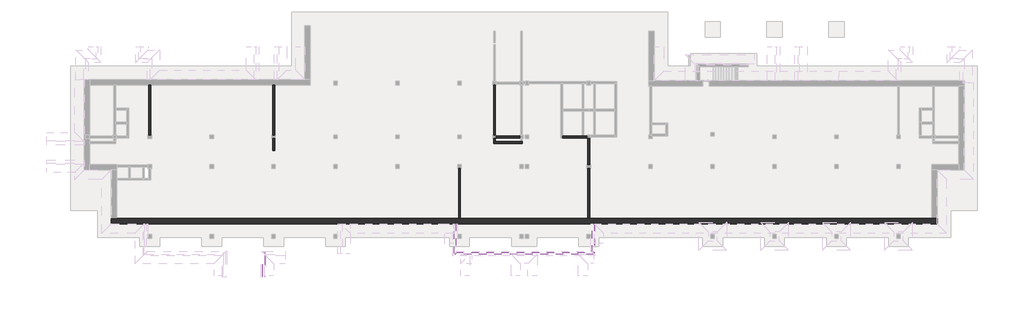
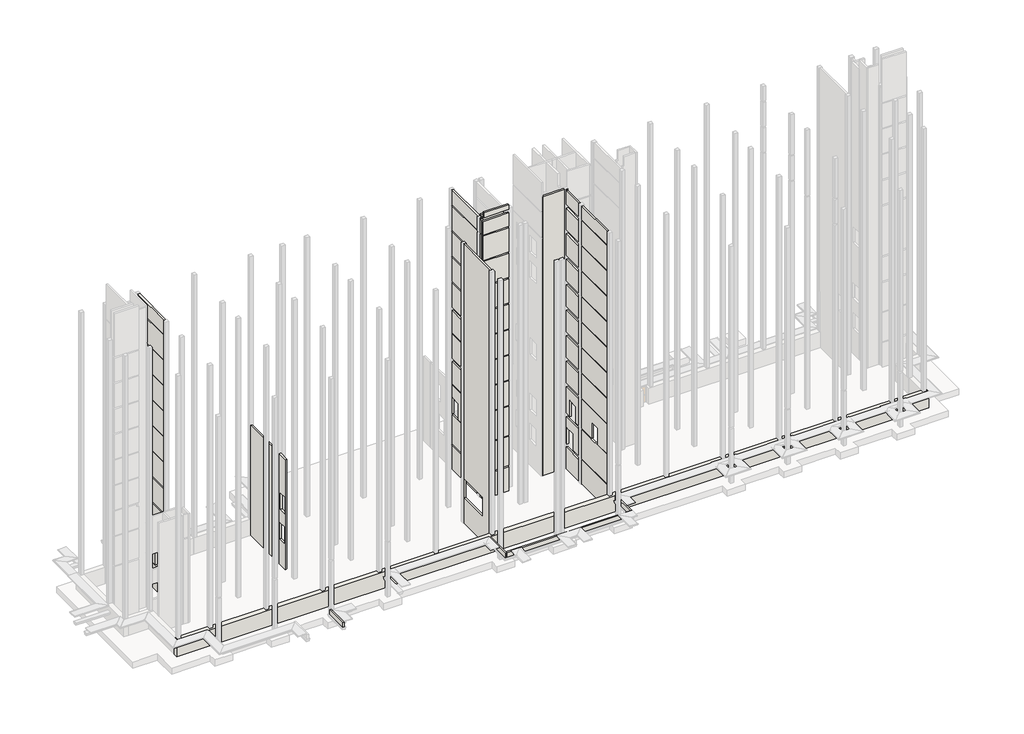
# One storey, part 2 of 9: 14 walls.
"""IFC4 building model written with IfcOpenShell, lengths in millimetres."""

from ifc_helpers import new_model, si_unit, frame, origin, origin_with_axes, place, context, project, spatial, polyline, outline, extrude, faceted_brep, element, save

model = new_model("IFC4")

# Units and contexts
model_context = context("Model", 3, world=origin())
ifc_project = project(units=[si_unit("LENGTHUNIT", "METRE", prefix="MILLI")], contexts=[model_context])

# Site, building, storey
site = spatial("IfcSite", under=ifc_project)
building = spatial("IfcBuilding", under=site)
storey = spatial("IfcBuildingStorey", under=building, Elevation=-3300.0)

# Walls
placement = place(None, origin())
element("IfcWall", 1, at=placement, inside=storey, context=model_context, shape_type="SweptSolid", body=[
    extrude(outline(polyline([(33100.0, 310.0112841), (33100.0, -2389.9887159), (32800.0, -2389.9887159), (32800.0, -2289.9887159), (30900.0, -2289.9887159), (30900.0, 310.0112841), (33100.0, 310.0112841)])), frame((0.0, -5506.8920513, 0.0), z_axis=(0.0, 1.0, 0.0), x_axis=(0.0, 0.0, 1.0)), (0.0, 0.0, 1.0), 200.0),
    extrude(outline(polyline([(310.0112841, -5306.8920513), (310.0112841, -5506.8920513), (-2289.9887159, -5506.8920513), (-2289.9887159, -5306.8920513), (310.0112841, -5306.8920513)])), frame((0.0, 0.0, -3300.0), z_axis=(0.0, 0.0, 1.0), x_axis=(1.0, 0.0, 0.0)), (0.0, 0.0, 1.0), 3140.0),
    extrude(outline(polyline([(310.0112841, -5306.8920513), (310.0112841, -5506.8920513), (-2289.9887159, -5506.8920513), (-2289.9887159, -5306.8920513), (310.0112841, -5306.8920513)])), origin_with_axes(), (0.0, 0.0, 1.0), 10600.0),
    extrude(outline(polyline([(310.0112841, -5306.8920513), (310.0112841, -5506.8920513), (-2289.9887159, -5506.8920513), (-2289.9887159, -5306.8920513), (310.0112841, -5306.8920513)])), frame((0.0, 0.0, 14400.0), z_axis=(0.0, 0.0, 1.0), x_axis=(1.0, 0.0, 0.0)), (0.0, 0.0, 1.0), 3140.0),
    extrude(outline(polyline([(310.0112841, -5306.8920513), (310.0112841, -5506.8920513), (-2289.9887159, -5506.8920513), (-2289.9887159, -5306.8920513), (310.0112841, -5306.8920513)])), frame((0.0, 0.0, 11100.0), z_axis=(0.0, 0.0, 1.0), x_axis=(1.0, 0.0, 0.0)), (0.0, 0.0, 1.0), 3140.0),
    extrude(outline(polyline([(310.0112841, -5306.8920513), (310.0112841, -5506.8920513), (-2289.9887159, -5506.8920513), (-2289.9887159, -5306.8920513), (310.0112841, -5306.8920513)])), frame((0.0, 0.0, 21000.0), z_axis=(0.0, 0.0, 1.0), x_axis=(1.0, 0.0, 0.0)), (0.0, 0.0, 1.0), 3140.0),
    extrude(outline(polyline([(310.0112841, -5306.8920513), (310.0112841, -5506.8920513), (-2289.9887159, -5506.8920513), (-2289.9887159, -5306.8920513), (310.0112841, -5306.8920513)])), frame((0.0, 0.0, 17700.0), z_axis=(0.0, 0.0, 1.0), x_axis=(1.0, 0.0, 0.0)), (0.0, 0.0, 1.0), 3140.0),
    extrude(outline(polyline([(310.0112841, -5306.8920513), (310.0112841, -5506.8920513), (-2289.9887159, -5506.8920513), (-2289.9887159, -5306.8920513), (310.0112841, -5306.8920513)])), frame((0.0, 0.0, 27600.0), z_axis=(0.0, 0.0, 1.0), x_axis=(1.0, 0.0, 0.0)), (0.0, 0.0, 1.0), 3140.0),
    extrude(outline(polyline([(310.0112841, -5306.8920513), (310.0112841, -5506.8920513), (-2289.9887159, -5506.8920513), (-2289.9887159, -5306.8920513), (310.0112841, -5306.8920513)])), frame((0.0, 0.0, 24300.0), z_axis=(0.0, 0.0, 1.0), x_axis=(1.0, 0.0, 0.0)), (0.0, 0.0, 1.0), 3140.0),
])
element("IfcWall", 2, at=placement, inside=storey, context=model_context, shape_type="Brep", body=[
    faceted_brep([(7810.0112841, -5306.8920513, -3300.0), (7470.0112841, -5306.8920513, -3300.0), (7270.0112841, -5306.8920513, -3300.0), (5110.0112841, -5306.8920513, -3300.0), (5110.0112841, -5306.8920513, 32800.0), (7810.0112841, -5306.8920513, 32800.0), (7810.0112841, -5506.8920513, -3300.0), (7810.0112841, -5506.8920513, 32800.0), (5110.0112841, -5506.8920513, 32800.0), (5110.0112841, -5506.8920513, 30900.0), (5110.0112841, -5506.8920513, 30740.0), (5110.0112841, -5506.8920513, 27600.0), (5110.0112841, -5506.8920513, 27440.0), (5110.0112841, -5506.8920513, -3300.0)], [[[0, 1, 2, 3, 4, 5]], [[6, 7, 8, 9, 10, 11, 12, 13]], [[3, 2, 1, 0, 6, 13]], [[5, 4, 8, 7]], [[0, 5, 7, 6]], [[4, 3, 13, 12, 11, 10, 9, 8]]]),
])
element("IfcWall", 3, at=placement, inside=storey, context=model_context, shape_type="Brep", body=[
    faceted_brep([(46820.0112841, -14506.8920513, -3300.0), (46210.0112841, -14506.8920513, -3300.0), (8110.0112841, -14506.8920513, -3300.0), (7910.0112841, -14506.8920513, -3300.0), (-44589.9887159, -14506.8920513, -3300.0), (-45199.9887159, -14506.8920513, -3300.0), (-45199.9887159, -14506.8920513, -1200.0), (-44589.9887159, -14506.8920513, -1200.0), (-41289.988716, -14506.8920513, -1200.0), (-19634.9887159, -14506.8920513, -1200.0), (-7099.988716, -14506.8920513, -1200.0), (-6789.988716, -14506.8920513, -1200.0), (8410.0112841, -14506.8920513, -1200.0), (8720.0112841, -14506.8920513, -1200.0), (46210.0112841, -14506.8920513, -1200.0), (46820.0112841, -14506.8920513, -1200.0), (46820.0112841, -15116.8920513, -3300.0), (46820.0112841, -15116.8920513, -1200.0), (46210.0112841, -15116.8920513, -1200.0), (8720.0112841, -15116.8920513, -1200.0), (8610.0112842, -15116.8920513, -1200.0), (8410.0112842, -15116.8920513, -1200.0), (-6789.988716, -15116.8920513, -1200.0), (-6989.988716, -15116.8920513, -1200.0), (-7099.988716, -15116.8920513, -1200.0), (-19589.9887159, -15116.8920513, -1200.0), (-19634.9887159, -15116.8920513, -1200.0), (-19789.9887159, -15116.8920513, -1200.0), (-41289.988716, -15116.8920513, -1200.0), (-41489.988716, -15116.8920513, -1200.0), (-45199.9887159, -15116.8920513, -1200.0), (-45199.9887159, -15116.8920513, -3300.0)], [[[0, 1, 2, 3, 4, 5, 6, 7, 8, 9, 10, 11, 12, 13, 14, 15]], [[16, 17, 18, 19, 20, 21, 22, 23, 24, 25, 26, 27, 28, 29, 30, 31]], [[5, 4, 3, 2, 1, 0, 16, 31]], [[15, 14, 13, 12, 11, 10, 9, 8, 7, 6, 30, 29, 28, 27, 26, 25, 24, 23, 22, 21, 20, 19, 18, 17]], [[0, 15, 17, 16]], [[6, 5, 31, 30]]]),
])
element("IfcWall", 4, at=placement, inside=storey, context=model_context, shape_type="SweptSolid", body=[
    extrude(outline(polyline([(310.0112841, -5306.8920513), (310.0112841, -5506.8920513), (-2289.9887159, -5506.8920513), (-2289.9887159, -5306.8920513), (310.0112841, -5306.8920513)])), frame((0.0, 0.0, -3300.0), z_axis=(0.0, 0.0, 1.0), x_axis=(1.0, 0.0, 0.0)), (0.0, 0.0, 1.0), 3140.0),
    extrude(outline(polyline([(310.0112841, -5306.8920513), (310.0112841, -5506.8920513), (-2289.9887159, -5506.8920513), (-2289.9887159, -5306.8920513), (310.0112841, -5306.8920513)])), origin_with_axes(), (0.0, 0.0, 1.0), 3740.0),
    extrude(outline(polyline([(310.0112841, -5306.8920513), (310.0112841, -5506.8920513), (-2289.9887159, -5506.8920513), (-2289.9887159, -5306.8920513), (310.0112841, -5306.8920513)])), frame((0.0, 0.0, 3900.0), z_axis=(0.0, 0.0, 1.0), x_axis=(1.0, 0.0, 0.0)), (0.0, 0.0, 1.0), 3740.0),
    extrude(outline(polyline([(310.0112841, -5306.8920513), (310.0112841, -5506.8920513), (-2289.9887159, -5506.8920513), (-2289.9887159, -5306.8920513), (310.0112841, -5306.8920513)])), frame((0.0, 0.0, 7800.0), z_axis=(0.0, 0.0, 1.0), x_axis=(1.0, 0.0, 0.0)), (0.0, 0.0, 1.0), 2800.0),
])
element("IfcWall", 5, at=placement, inside=storey, context=model_context, shape_type="SweptSolid", body=[
    extrude(outline(polyline([(-6907.2920513, -3300.0), (-6907.2920513, 10940.0), (-5606.8920513, 10940.0), (-5606.8920513, -3300.0), (-6907.2920513, -3300.0)]), holes=[polyline([(-5770.8881129, 2100.0), (-6680.8881129, 2100.0), (-6680.8881129, 0.0), (-5770.8881129, 0.0), (-5770.8881129, 2100.0)]), polyline([(-5913.8900821, 6000.0), (-6823.8900821, 6000.0), (-6823.8900821, 3900.0), (-5913.8900821, 3900.0), (-5913.8900821, 6000.0)])]), frame((-27189.9887159, 0.0, 0.0), z_axis=(1.0, 0.0, 0.0), x_axis=(0.0, 1.0, 0.0)), (0.0, 0.0, 1.0), 200.0),
    extrude(outline(polyline([(-27189.9887159, 393.1079487), (-26989.9887159, 393.1079487), (-26989.9887159, -5206.8920513), (-27189.9887159, -5206.8920513), (-27189.9887159, 393.1079487)])), frame((0.0, 0.0, -3300.0), z_axis=(0.0, 0.0, 1.0), x_axis=(1.0, 0.0, 0.0)), (0.0, 0.0, 1.0), 14240.0),
])
element("IfcWall", 6, at=placement, inside=storey, context=model_context, shape_type="SweptSolid", body=[
    extrude(outline(polyline([(-5606.8920513, 3900.0), (-6411.8920513, 3900.0), (-6411.8920513, 6000.0), (-7711.8920513, 6000.0), (-7711.8920513, 3900.0), (-8506.8920513, 3900.0), (-8506.8920513, 7300.0), (-5606.8920513, 7300.0), (-5606.8920513, 3900.0)])), frame((7910.0112841, 0.0, 0.0), z_axis=(1.0, 0.0, 0.0), x_axis=(0.0, 1.0, 0.0)), (0.0, 0.0, 1.0), 200.0),
    extrude(outline(polyline([(-12356.8920513, 3900.0), (-14506.8920513, 3900.0), (-14506.8920513, 7640.0), (-8906.8920513, 7640.0), (-8906.8920513, 3900.0), (-11056.8920513, 3900.0), (-11056.8920513, 6000.0), (-12356.8920513, 6000.0), (-12356.8920513, 3900.0)])), frame((7910.0112841, 0.0, 0.0), z_axis=(1.0, 0.0, 0.0), x_axis=(0.0, 1.0, 0.0)), (0.0, 0.0, 1.0), 200.0),
    extrude(outline(polyline([(-7106.8920513, 2100.0), (-7106.8920513, 0.0), (-8506.8920513, 0.0), (-8506.8920513, 3400.0), (-5606.8920513, 3400.0), (-5606.8920513, 0.0), (-5806.8920513, 0.0), (-5806.8920513, 2100.0), (-7106.8920513, 2100.0)])), frame((7910.0112841, 0.0, 0.0), z_axis=(1.0, 0.0, 0.0), x_axis=(0.0, 1.0, 0.0)), (0.0, 0.0, 1.0), 200.0),
    extrude(outline(polyline([(7910.0112841, -5606.8920513), (8110.0112841, -5606.8920513), (8110.0112841, -8506.8920513), (7910.0112841, -8506.8920513), (7910.0112841, -5606.8920513)])), frame((0.0, 0.0, -3300.0), z_axis=(0.0, 0.0, 1.0), x_axis=(1.0, 0.0, 0.0)), (0.0, 0.0, 1.0), 2800.0),
    extrude(outline(polyline([(8110.0112841, -14506.8920513), (7910.0112841, -14506.8920513), (7910.0112841, -8906.8920513), (8110.0112841, -8906.8920513), (8110.0112841, -14506.8920513)])), frame((0.0, 0.0, -3300.0), z_axis=(0.0, 0.0, 1.0), x_axis=(1.0, 0.0, 0.0)), (0.0, 0.0, 1.0), 3140.0),
    extrude(outline(polyline([(8110.0112841, -8906.8920513), (8110.0112841, -14506.8920513), (7910.0112841, -14506.8920513), (7910.0112841, -8906.8920513), (8110.0112841, -8906.8920513)])), origin_with_axes(), (0.0, 0.0, 1.0), 3740.0),
    extrude(outline(polyline([(-5606.8920513, 32800.0), (-5606.8920513, 30900.0), (-8506.8920513, 30900.0), (-8506.8920513, 32652.0), (-5671.8920513, 32652.0), (-5671.8920513, 32800.0), (-5606.8920513, 32800.0)])), frame((7910.0112841, 0.0, 0.0), z_axis=(1.0, 0.0, 0.0), x_axis=(0.0, 1.0, 0.0)), (0.0, 0.0, 1.0), 200.0),
    extrude(outline(polyline([(8110.0112841, -8906.8920513), (8110.0112841, -14506.8920513), (7910.0112841, -14506.8920513), (7910.0112841, -8906.8920513), (8110.0112841, -8906.8920513)])), frame((0.0, 0.0, 27600.0), z_axis=(0.0, 0.0, 1.0), x_axis=(1.0, 0.0, 0.0)), (0.0, 0.0, 1.0), 3140.0),
    extrude(outline(polyline([(8110.0112841, -8906.8920513), (8110.0112841, -14506.8920513), (7910.0112841, -14506.8920513), (7910.0112841, -8906.8920513), (8110.0112841, -8906.8920513)])), frame((0.0, 0.0, 30900.0), z_axis=(0.0, 0.0, 1.0), x_axis=(1.0, 0.0, 0.0)), (0.0, 0.0, 1.0), 1752.0),
    extrude(outline(polyline([(8110.0112841, -8906.8920513), (8110.0112841, -14506.8920513), (7910.0112841, -14506.8920513), (7910.0112841, -8906.8920513), (8110.0112841, -8906.8920513)])), frame((0.0, 0.0, 24300.0), z_axis=(0.0, 0.0, 1.0), x_axis=(1.0, 0.0, 0.0)), (0.0, 0.0, 1.0), 3140.0),
    extrude(outline(polyline([(8110.0112841, -5606.8920513), (8110.0112841, -8506.8920513), (7910.0112841, -8506.8920513), (7910.0112841, -5606.8920513), (8110.0112841, -5606.8920513)])), frame((0.0, 0.0, 27600.0), z_axis=(0.0, 0.0, 1.0), x_axis=(1.0, 0.0, 0.0)), (0.0, 0.0, 1.0), 2800.0),
    extrude(outline(polyline([(8110.0112841, -8906.8920513), (8110.0112841, -14506.8920513), (7910.0112841, -14506.8920513), (7910.0112841, -8906.8920513), (8110.0112841, -8906.8920513)])), frame((0.0, 0.0, 21000.0), z_axis=(0.0, 0.0, 1.0), x_axis=(1.0, 0.0, 0.0)), (0.0, 0.0, 1.0), 3140.0),
    extrude(outline(polyline([(8110.0112841, -5606.8920513), (8110.0112841, -8506.8920513), (7910.0112841, -8506.8920513), (7910.0112841, -5606.8920513), (8110.0112841, -5606.8920513)])), frame((0.0, 0.0, 24300.0), z_axis=(0.0, 0.0, 1.0), x_axis=(1.0, 0.0, 0.0)), (0.0, 0.0, 1.0), 2800.0),
    extrude(outline(polyline([(8110.0112841, -8906.8920513), (8110.0112841, -14506.8920513), (7910.0112841, -14506.8920513), (7910.0112841, -8906.8920513), (8110.0112841, -8906.8920513)])), frame((0.0, 0.0, 17700.0), z_axis=(0.0, 0.0, 1.0), x_axis=(1.0, 0.0, 0.0)), (0.0, 0.0, 1.0), 3140.0),
    extrude(outline(polyline([(8110.0112841, -5606.8920513), (8110.0112841, -8506.8920513), (7910.0112841, -8506.8920513), (7910.0112841, -5606.8920513), (8110.0112841, -5606.8920513)])), frame((0.0, 0.0, 21000.0), z_axis=(0.0, 0.0, 1.0), x_axis=(1.0, 0.0, 0.0)), (0.0, 0.0, 1.0), 2800.0),
    extrude(outline(polyline([(8110.0112841, -8906.8920513), (8110.0112841, -14506.8920513), (7910.0112841, -14506.8920513), (7910.0112841, -8906.8920513), (8110.0112841, -8906.8920513)])), frame((0.0, 0.0, 14400.0), z_axis=(0.0, 0.0, 1.0), x_axis=(1.0, 0.0, 0.0)), (0.0, 0.0, 1.0), 3140.0),
    extrude(outline(polyline([(8110.0112841, -5606.8920513), (8110.0112841, -8506.8920513), (7910.0112841, -8506.8920513), (7910.0112841, -5606.8920513), (8110.0112841, -5606.8920513)])), frame((0.0, 0.0, 17700.0), z_axis=(0.0, 0.0, 1.0), x_axis=(1.0, 0.0, 0.0)), (0.0, 0.0, 1.0), 2800.0),
    extrude(outline(polyline([(8110.0112841, -8906.8920513), (8110.0112841, -14506.8920513), (7910.0112841, -14506.8920513), (7910.0112841, -8906.8920513), (8110.0112841, -8906.8920513)])), frame((0.0, 0.0, 11100.0), z_axis=(0.0, 0.0, 1.0), x_axis=(1.0, 0.0, 0.0)), (0.0, 0.0, 1.0), 3140.0),
    extrude(outline(polyline([(8110.0112841, -5606.8920513), (8110.0112841, -8506.8920513), (7910.0112841, -8506.8920513), (7910.0112841, -5606.8920513), (8110.0112841, -5606.8920513)])), frame((0.0, 0.0, 14400.0), z_axis=(0.0, 0.0, 1.0), x_axis=(1.0, 0.0, 0.0)), (0.0, 0.0, 1.0), 2800.0),
    extrude(outline(polyline([(8110.0112841, -8906.8920513), (8110.0112841, -14506.8920513), (7910.0112841, -14506.8920513), (7910.0112841, -8906.8920513), (8110.0112841, -8906.8920513)])), frame((0.0, 0.0, 7800.0), z_axis=(0.0, 0.0, 1.0), x_axis=(1.0, 0.0, 0.0)), (0.0, 0.0, 1.0), 3140.0),
    extrude(outline(polyline([(8110.0112841, -5606.8920513), (8110.0112841, -8506.8920513), (7910.0112841, -8506.8920513), (7910.0112841, -5606.8920513), (8110.0112841, -5606.8920513)])), frame((0.0, 0.0, 11100.0), z_axis=(0.0, 0.0, 1.0), x_axis=(1.0, 0.0, 0.0)), (0.0, 0.0, 1.0), 2800.0),
    extrude(outline(polyline([(8110.0112841, -5606.8920513), (8110.0112841, -8506.8920513), (7910.0112841, -8506.8920513), (7910.0112841, -5606.8920513), (8110.0112841, -5606.8920513)])), frame((0.0, 0.0, 7800.0), z_axis=(0.0, 0.0, 1.0), x_axis=(1.0, 0.0, 0.0)), (0.0, 0.0, 1.0), 2800.0),
])
element("IfcWall", 7, at=placement, inside=storey, context=model_context, shape_type="Brep", body=[
    faceted_brep([(-2389.9887159, -1006.8920513, 3900.0), (-2389.9887159, -1006.8920513, 6000.0), (-2389.9887159, 293.1079487, 6000.0), (-2389.9887159, 293.1079487, 3900.0), (-2389.9887159, 393.1079487, 3900.0), (-2389.9887159, 393.1079487, 7640.0), (-2389.9887159, -1106.8920513, 7640.0), (-2389.9887159, -1106.8920513, 7800.0), (-2389.9887159, 393.1079487, 7800.0), (-2389.9887159, 393.1079487, 10600.0), (-2389.9887159, -5206.8920513, 10600.0), (-2389.9887159, -5206.8920513, 7800.0), (-2389.9887159, -5206.8920513, 7640.0), (-2389.9887159, -5206.8920513, 3900.0), (-2389.9887159, -5206.8920513, 3740.0), (-2389.9887159, -5206.8920513, 0.0), (-2389.9887159, -5206.8920513, -160.0), (-2389.9887159, -5206.8920513, -3300.0), (-2389.9887159, 393.1079487, -3300.0), (-2389.9887159, 393.1079487, -160.0), (-2389.9887159, -1106.8920513, -160.0), (-2389.9887159, -1106.8920513, 0.0), (-2389.9887159, 393.1079487, 0.0), (-2389.9887159, 393.1079487, 3740.0), (-2389.9887159, -1106.8920513, 3740.0), (-2389.9887159, -1106.8920513, 3900.0), (-2589.9887159, -1006.8920513, 6000.0), (-2589.9887159, -1006.8920513, 3900.0), (-2589.9887159, -5206.8920513, 3900.0), (-2589.9887159, -5206.8920513, 7640.0), (-2589.9887159, -1586.8920513, 7640.0), (-2589.9887159, -1466.8920513, 7640.0), (-2589.9887159, 393.1079487, 7640.0), (-2589.9887159, 393.1079487, 3900.0), (-2589.9887159, 293.1079487, 3900.0), (-2589.9887159, 293.1079487, 6000.0), (-2589.9887159, 393.1079487, -3300.0), (-2589.9887159, -5206.8920513, -3300.0), (-2589.9887159, -5206.8920513, -160.0), (-2589.9887159, 393.1079487, -160.0), (-2589.9887159, 393.1079487, 0.0), (-2589.9887159, -5206.8920513, 0.0), (-2589.9887159, -5206.8920513, 3740.0), (-2589.9887159, 393.1079487, 3740.0), (-2589.9887159, 393.1079487, 7800.0), (-2589.9887159, -5206.8920513, 7800.0), (-2589.9887159, -5206.8920513, 10600.0), (-2589.9887159, 393.1079487, 10600.0), (-2489.9887159, 393.1079487, 10600.0), (-2393.7175295, -5206.8920513, 7800.0), (-2393.7175295, -5206.8920513, 7640.0), (-2393.7175295, -5206.8920513, 3900.0), (-2393.7175295, -5206.8920513, 3740.0), (-2393.7175295, -5206.8920513, 0.0), (-2393.7175295, -5206.8920513, -160.0), (-2393.7175295, -1106.8920513, -160.0), (-2393.7175295, -1106.8920513, 0.0), (-2393.7175295, -1106.8920513, 3740.0), (-2393.7175295, -1106.8920513, 3900.0), (-2393.7175295, -1106.8920513, 7640.0), (-2393.7175295, -1106.8920513, 7800.0)], [[[0, 1, 2, 3, 4, 5, 6, 7, 8, 9, 10, 11, 12, 13, 14, 15, 16, 17, 18, 19, 20, 21, 22, 23, 24, 25]], [[26, 27, 28, 29, 30, 31, 32, 33, 34, 35]], [[36, 37, 38, 39]], [[40, 41, 42, 43]], [[44, 45, 46, 47]], [[36, 18, 17, 37]], [[18, 36, 39, 19]], [[22, 40, 43, 23]], [[4, 33, 32, 5]], [[8, 44, 47, 48, 9]], [[1, 0, 27, 26]], [[2, 1, 26, 35]], [[3, 2, 35, 34]], [[37, 17, 16, 15, 14, 13, 12, 11, 10, 46, 45, 49, 50, 29, 28, 51, 52, 42, 41, 53, 54, 38]], [[54, 55, 20, 19, 39, 38]], [[56, 53, 41, 40, 22, 21]], [[55, 56, 21, 20]], [[55, 54, 53, 56]], [[52, 57, 24, 23, 43, 42]], [[4, 3, 34, 33]], [[58, 51, 28, 27, 0, 25]], [[57, 58, 25, 24]], [[57, 52, 51, 58]], [[7, 6, 59, 60]], [[50, 49, 60, 59]], [[60, 49, 45, 44, 8, 7]], [[50, 59, 6, 5, 32, 31, 30, 29]], [[10, 9, 48, 47, 46]]]),
    faceted_brep([(-2389.9887159, -5946.8920513, -3300.0), (-2389.9887159, -5606.8920513, -3300.0), (-2389.9887159, -5606.8920513, -160.0), (-2389.9887159, -5946.8920513, -160.0), (-2589.9887159, -5606.8920513, -3300.0), (-2589.9887159, -5946.8920513, -3300.0), (-2589.9887159, -5946.8920513, -160.0), (-2589.9887159, -5606.8920513, -160.0)], [[[0, 1, 2, 3]], [[4, 5, 6, 7]], [[1, 0, 5, 4]], [[1, 4, 7, 2]], [[3, 2, 7, 6]], [[5, 0, 3, 6]]]),
    faceted_brep([(-2389.9887159, 393.1079487, 32800.0), (-2389.9887159, -5206.8920513, 32800.0), (-2389.9887159, -5206.8920513, 30900.0), (-2389.9887159, -5206.8920513, 30740.0), (-2389.9887159, -5206.8920513, 27600.0), (-2389.9887159, -5206.8920513, 27440.0), (-2389.9887159, -5206.8920513, 24300.0), (-2389.9887159, -5206.8920513, 24140.0), (-2389.9887159, -5206.8920513, 21000.0), (-2389.9887159, -5206.8920513, 20840.0), (-2389.9887159, -5206.8920513, 17700.0), (-2389.9887159, -5206.8920513, 17540.0), (-2389.9887159, -1106.8920513, 17540.0), (-2389.9887159, -1106.8920513, 17700.0), (-2389.9887159, 393.1079487, 17700.0), (-2389.9887159, 393.1079487, 20840.0), (-2389.9887159, -1106.8920513, 20840.0), (-2389.9887159, -1106.8920513, 21000.0), (-2389.9887159, 393.1079487, 21000.0), (-2389.9887159, 393.1079487, 24140.0), (-2389.9887159, -1106.8920513, 24140.0), (-2389.9887159, -1106.8920513, 24300.0), (-2389.9887159, 393.1079487, 24300.0), (-2389.9887159, 393.1079487, 27440.0), (-2389.9887159, -1106.8920513, 27440.0), (-2389.9887159, -1106.8920513, 27600.0), (-2389.9887159, 393.1079487, 27600.0), (-2389.9887159, 393.1079487, 30740.0), (-2389.9887159, -1106.8920513, 30740.0), (-2389.9887159, -1106.8920513, 30900.0), (-2389.9887159, 393.1079487, 30900.0), (-2589.9887159, -5206.8920513, 32800.0), (-2589.9887159, 393.1079487, 32800.0), (-2589.9887159, 393.1079487, 30900.0), (-2589.9887159, -4686.8920513, 30900.0), (-2589.9887159, -5206.8920513, 30900.0), (-2589.9887159, -5206.8920513, 30740.0), (-2589.9887159, -4686.8920513, 30740.0), (-2589.9887159, 393.1079487, 30740.0), (-2589.9887159, 393.1079487, 27600.0), (-2589.9887159, -4686.8920513, 27600.0), (-2589.9887159, -5206.8920513, 27600.0), (-2589.9887159, -5206.8920513, 27440.0), (-2589.9887159, -4686.8920513, 27440.0), (-2589.9887159, 393.1079487, 27440.0), (-2589.9887159, 393.1079487, 24300.0), (-2589.9887159, -4686.8920513, 24300.0), (-2589.9887159, -5206.8920513, 24300.0), (-2589.9887159, -5206.8920513, 24140.0), (-2589.9887159, -4686.8920513, 24140.0), (-2589.9887159, 393.1079487, 24140.0), (-2589.9887159, 393.1079487, 21000.0), (-2589.9887159, -4686.8920513, 21000.0), (-2589.9887159, -5206.8920513, 21000.0), (-2589.9887159, -5206.8920513, 20840.0), (-2589.9887159, -4686.8920513, 20840.0), (-2589.9887159, 393.1079487, 20840.0), (-2589.9887159, 393.1079487, 17700.0), (-2589.9887159, -4686.8920513, 17700.0), (-2589.9887159, -5206.8920513, 17700.0), (-2489.9887159, 393.1079487, 30740.0), (-2489.9887159, 393.1079487, 27440.0), (-2489.9887159, 393.1079487, 24140.0), (-2489.9887159, 393.1079487, 20840.0), (-2393.7175295, -5206.8920513, 30900.0), (-2393.7175295, -5206.8920513, 30740.0), (-2393.7175295, -5206.8920513, 27600.0), (-2393.7175295, -5206.8920513, 27440.0), (-2393.7175295, -5206.8920513, 24300.0), (-2393.7175295, -5206.8920513, 24140.0), (-2393.7175295, -5206.8920513, 21000.0), (-2393.7175295, -5206.8920513, 20840.0), (-2393.7175295, -5206.8920513, 17700.0), (-2393.7175295, -5206.8920513, 17540.0), (-2393.7175295, -1106.8920513, 30740.0), (-2393.7175295, -1106.8920513, 30900.0), (-2393.7175295, -1106.8920513, 27440.0), (-2393.7175295, -1106.8920513, 27600.0), (-2393.7175295, -1106.8920513, 24140.0), (-2393.7175295, -1106.8920513, 24300.0), (-2393.7175295, -1106.8920513, 20840.0), (-2393.7175295, -1106.8920513, 21000.0), (-2393.7175295, -1106.8920513, 17700.0), (-2393.7175295, -1106.8920513, 17540.0)], [[[0, 1, 2, 3, 4, 5, 6, 7, 8, 9, 10, 11, 12, 13, 14, 15, 16, 17, 18, 19, 20, 21, 22, 23, 24, 25, 26, 27, 28, 29, 30]], [[31, 32, 33, 34, 35]], [[36, 37, 38, 39, 40, 41]], [[42, 43, 44, 45, 46, 47]], [[48, 49, 50, 51, 52, 53]], [[54, 55, 56, 57, 58, 59]], [[0, 32, 31, 1]], [[32, 0, 30, 33]], [[38, 60, 27, 26, 39]], [[44, 61, 23, 22, 45]], [[50, 62, 19, 18, 51]], [[56, 63, 15, 14, 57]], [[1, 31, 35, 64, 65, 36, 41, 66, 67, 42, 47, 68, 69, 48, 53, 70, 71, 54, 59, 72, 73, 11, 10, 9, 8, 7, 6, 5, 4, 3, 2]], [[65, 74, 28, 27, 60, 38, 37, 36]], [[75, 64, 35, 34, 33, 30, 29]], [[74, 75, 29, 28]], [[74, 65, 64, 75]], [[67, 76, 24, 23, 61, 44, 43, 42]], [[77, 66, 41, 40, 39, 26, 25]], [[76, 77, 25, 24]], [[76, 67, 66, 77]], [[69, 78, 20, 19, 62, 50, 49, 48]], [[79, 68, 47, 46, 45, 22, 21]], [[78, 79, 21, 20]], [[78, 69, 68, 79]], [[71, 80, 16, 15, 63, 56, 55, 54]], [[81, 70, 53, 52, 51, 18, 17]], [[80, 81, 17, 16]], [[80, 71, 70, 81]], [[82, 72, 59, 58, 57, 14, 13]], [[83, 82, 13, 12]], [[72, 82, 83, 73]], [[12, 11, 73, 83]]]),
    faceted_brep([(-2389.9887159, -5946.8920513, 0.0), (-2389.9887159, -5606.8920513, 0.0), (-2389.9887159, -5606.8920513, 3740.0), (-2389.9887159, -5946.8920513, 3740.0), (-2589.9887159, -5606.8920513, 0.0), (-2589.9887159, -5946.8920513, 0.0), (-2589.9887159, -5946.8920513, 3740.0), (-2589.9887159, -5606.8920513, 3740.0)], [[[0, 1, 2, 3]], [[4, 5, 6, 7]], [[1, 4, 7, 2]], [[1, 0, 5, 4]], [[3, 2, 7, 6]], [[5, 0, 3, 6]]]),
    faceted_brep([(-2389.9887159, -5946.8920513, 3900.0), (-2389.9887159, -5606.8920513, 3900.0), (-2389.9887159, -5606.8920513, 7640.0), (-2389.9887159, -5946.8920513, 7640.0), (-2589.9887159, -5606.8920513, 3900.0), (-2589.9887159, -5946.8920513, 3900.0), (-2589.9887159, -5946.8920513, 7640.0), (-2589.9887159, -5606.8920513, 7640.0)], [[[0, 1, 2, 3]], [[4, 5, 6, 7]], [[1, 4, 7, 2]], [[1, 0, 5, 4]], [[5, 0, 3, 6]], [[3, 2, 7, 6]]]),
    faceted_brep([(-2389.9887159, -5606.8920513, 30900.0), (-2389.9887159, -5606.8920513, 32800.0), (-2389.9887159, -5671.8920513, 32800.0), (-2389.9887159, -5671.8920513, 32652.0), (-2389.9887159, -5946.8920513, 32652.0), (-2389.9887159, -5946.8920513, 30900.0), (-2589.9887159, -5606.8920513, 32800.0), (-2589.9887159, -5606.8920513, 30900.0), (-2589.9887159, -5946.8920513, 30900.0), (-2589.9887159, -5946.8920513, 32652.0), (-2589.9887159, -5671.8920513, 32652.0), (-2589.9887159, -5671.8920513, 32800.0)], [[[0, 1, 2, 3, 4, 5]], [[6, 7, 8, 9, 10, 11]], [[1, 6, 11, 2]], [[6, 1, 0, 7]], [[0, 5, 8, 7]], [[8, 5, 4, 9]], [[3, 10, 9, 4]], [[10, 3, 2, 11]]]),
    faceted_brep([(-2389.9887159, -5606.8920513, 30740.0), (-2389.9887159, -5946.8920513, 30740.0), (-2389.9887159, -5946.8920513, 27600.0), (-2389.9887159, -5606.8920513, 27600.0), (-2589.9887159, -5946.8920513, 30740.0), (-2589.9887159, -5606.8920513, 30740.0), (-2589.9887159, -5606.8920513, 27600.0), (-2589.9887159, -5946.8920513, 27600.0)], [[[0, 1, 2, 3]], [[4, 5, 6, 7]], [[5, 0, 3, 6]], [[1, 0, 5, 4]], [[3, 2, 7, 6]], [[1, 4, 7, 2]]]),
    faceted_brep([(-2389.9887159, -5606.8920513, 27440.0), (-2389.9887159, -5946.8920513, 27440.0), (-2389.9887159, -5946.8920513, 24300.0), (-2389.9887159, -5606.8920513, 24300.0), (-2589.9887159, -5946.8920513, 27440.0), (-2589.9887159, -5606.8920513, 27440.0), (-2589.9887159, -5606.8920513, 24300.0), (-2589.9887159, -5946.8920513, 24300.0)], [[[0, 1, 2, 3]], [[4, 5, 6, 7]], [[5, 0, 3, 6]], [[1, 0, 5, 4]], [[3, 2, 7, 6]], [[1, 4, 7, 2]]]),
    faceted_brep([(-2389.9887159, -5606.8920513, 24140.0), (-2389.9887159, -5946.8920513, 24140.0), (-2389.9887159, -5946.8920513, 21000.0), (-2389.9887159, -5606.8920513, 21000.0), (-2589.9887159, -5946.8920513, 24140.0), (-2589.9887159, -5606.8920513, 24140.0), (-2589.9887159, -5606.8920513, 21000.0), (-2589.9887159, -5946.8920513, 21000.0)], [[[0, 1, 2, 3]], [[4, 5, 6, 7]], [[5, 0, 3, 6]], [[1, 0, 5, 4]], [[3, 2, 7, 6]], [[1, 4, 7, 2]]]),
    faceted_brep([(-2389.9887159, -5606.8920513, 20840.0), (-2389.9887159, -5946.8920513, 20840.0), (-2389.9887159, -5946.8920513, 17700.0), (-2389.9887159, -5606.8920513, 17700.0), (-2589.9887159, -5946.8920513, 20840.0), (-2589.9887159, -5606.8920513, 20840.0), (-2589.9887159, -5606.8920513, 17700.0), (-2589.9887159, -5946.8920513, 17700.0)], [[[0, 1, 2, 3]], [[4, 5, 6, 7]], [[5, 0, 3, 6]], [[1, 0, 5, 4]], [[3, 2, 7, 6]], [[1, 4, 7, 2]]]),
    faceted_brep([(-2389.9887159, -5606.8920513, 17540.0), (-2389.9887159, -5946.8920513, 17540.0), (-2389.9887159, -5946.8920513, 14400.0), (-2389.9887159, -5606.8920513, 14400.0), (-2589.9887159, -5946.8920513, 17540.0), (-2589.9887159, -5606.8920513, 17540.0), (-2589.9887159, -5606.8920513, 14400.0), (-2589.9887159, -5946.8920513, 14400.0)], [[[0, 1, 2, 3]], [[4, 5, 6, 7]], [[5, 0, 3, 6]], [[1, 0, 5, 4]], [[3, 2, 7, 6]], [[1, 4, 7, 2]]]),
    faceted_brep([(-2389.9887159, -5206.8920513, 14400.0), (-2389.9887159, -5206.8920513, 14240.0), (-2389.9887159, -5206.8920513, 11100.0), (-2389.9887159, -5206.8920513, 10940.0), (-2389.9887159, -1106.8920513, 10940.0), (-2389.9887159, -1106.8920513, 11100.0), (-2389.9887159, 393.1079487, 11100.0), (-2389.9887159, 393.1079487, 14240.0), (-2389.9887159, -1106.8920513, 14240.0), (-2389.9887159, -1106.8920513, 14400.0), (-2389.9887159, 393.1079487, 14400.0), (-2389.9887159, 393.1079487, 17200.0), (-2389.9887159, -5206.8920513, 17200.0), (-2589.9887159, -5206.8920513, 14240.0), (-2589.9887159, -4686.8920513, 14240.0), (-2589.9887159, 393.1079487, 14240.0), (-2589.9887159, 393.1079487, 11100.0), (-2589.9887159, -3246.8920513, 11100.0), (-2589.9887159, -3366.8920513, 11100.0), (-2589.9887159, -4566.8920513, 11100.0), (-2589.9887159, -4686.8920513, 11100.0), (-2589.9887159, -5206.8920513, 11100.0), (-2589.9887159, -4686.8920513, 14400.0), (-2589.9887159, -5206.8920513, 14400.0), (-2589.9887159, -5206.8920513, 17200.0), (-2589.9887159, 393.1079487, 17200.0), (-2589.9887159, 393.1079487, 14400.0), (-2489.9887159, 393.1079487, 14240.0), (-2489.9887159, 393.1079487, 17200.0), (-2393.7175295, -5206.8920513, 14400.0), (-2393.7175295, -5206.8920513, 14240.0), (-2393.7175295, -5206.8920513, 11100.0), (-2393.7175295, -5206.8920513, 10940.0), (-2393.7175295, -1106.8920513, 14240.0), (-2393.7175295, -1106.8920513, 14400.0), (-2393.7175295, -1106.8920513, 11100.0), (-2393.7175295, -1106.8920513, 10940.0)], [[[0, 1, 2, 3, 4, 5, 6, 7, 8, 9, 10, 11, 12]], [[13, 14, 15, 16, 17, 18, 19, 20, 21]], [[22, 23, 24, 25, 26]], [[15, 27, 7, 6, 16]], [[10, 26, 25, 28, 11]], [[1, 0, 12, 24, 23, 29, 30, 13, 21, 31, 32, 3, 2]], [[30, 33, 8, 7, 27, 15, 14, 13]], [[34, 29, 23, 22, 26, 10, 9]], [[33, 34, 9, 8]], [[33, 30, 29, 34]], [[35, 31, 21, 20, 19, 18, 17, 16, 6, 5]], [[36, 35, 5, 4]], [[31, 35, 36, 32]], [[4, 3, 32, 36]], [[12, 11, 28, 25, 24]]]),
    faceted_brep([(-2389.9887159, -5606.8920513, 14240.0), (-2389.9887159, -5946.8920513, 14240.0), (-2389.9887159, -5946.8920513, 11100.0), (-2389.9887159, -5606.8920513, 11100.0), (-2589.9887159, -5946.8920513, 14240.0), (-2589.9887159, -5606.8920513, 14240.0), (-2589.9887159, -5606.8920513, 11100.0), (-2589.9887159, -5946.8920513, 11100.0)], [[[0, 1, 2, 3]], [[4, 5, 6, 7]], [[5, 0, 3, 6]], [[1, 0, 5, 4]], [[3, 2, 7, 6]], [[1, 4, 7, 2]]]),
    faceted_brep([(-2389.9887159, -5606.8920513, 10940.0), (-2389.9887159, -5946.8920513, 10940.0), (-2389.9887159, -5946.8920513, 7800.0), (-2389.9887159, -5606.8920513, 7800.0), (-2589.9887159, -5946.8920513, 10940.0), (-2589.9887159, -5606.8920513, 10940.0), (-2589.9887159, -5606.8920513, 7800.0), (-2589.9887159, -5946.8920513, 7800.0)], [[[0, 1, 2, 3]], [[4, 5, 6, 7]], [[5, 0, 3, 6]], [[1, 0, 5, 4]], [[1, 4, 7, 2]], [[3, 2, 7, 6]]]),
])
element("IfcWall", 8, at=placement, inside=storey, context=model_context, shape_type="SweptSolid", body=[
    extrude(outline(polyline([(-40789.9887159, 393.1079487), (-40789.9887159, -5206.8920513), (-40989.9887159, -5206.8920513), (-40989.9887159, 393.1079487), (-40789.9887159, 393.1079487)])), frame((0.0, 0.0, -3300.0), z_axis=(0.0, 0.0, 1.0), x_axis=(1.0, 0.0, 0.0)), (0.0, 0.0, 1.0), 3140.0),
    extrude(outline(polyline([(-40789.9887159, 393.1079487), (-40789.9887159, -5206.8920513), (-40989.9887159, -5206.8920513), (-40989.9887159, 393.1079487), (-40789.9887159, 393.1079487)])), frame((0.0, 0.0, 30900.0), z_axis=(0.0, 0.0, 1.0), x_axis=(1.0, 0.0, 0.0)), (0.0, 0.0, 1.0), 1856.6941451),
    extrude(outline(polyline([(-4706.8920513, 6000.0), (-4706.8920513, 3900.0), (-5206.8920513, 3900.0), (-5206.8920513, 7640.0), (393.1079487, 7640.0), (393.1079487, 3900.0), (-3406.8920513, 3900.0), (-3406.8920513, 6000.0), (-4706.8920513, 6000.0)])), frame((-40989.9887159, 0.0, 0.0), z_axis=(1.0, 0.0, 0.0), x_axis=(0.0, 1.0, 0.0)), (0.0, 0.0, 1.0), 200.0),
    extrude(outline(polyline([(-4606.8920513, 2100.0), (-4606.8920513, 0.0), (-5206.8920513, 0.0), (-5206.8920513, 3740.0), (393.1079487, 3740.0), (393.1079487, 0.0), (-3306.8920513, 0.0), (-3306.8920513, 2100.0), (-4606.8920513, 2100.0)])), frame((-40989.9887159, 0.0, 0.0), z_axis=(1.0, 0.0, 0.0), x_axis=(0.0, 1.0, 0.0)), (0.0, 0.0, 1.0), 200.0),
    extrude(outline(polyline([(-40789.9887159, 393.1079487), (-40789.9887159, -5206.8920513), (-40989.9887159, -5206.8920513), (-40989.9887159, 393.1079487), (-40789.9887159, 393.1079487)])), frame((0.0, 0.0, 27600.0), z_axis=(0.0, 0.0, 1.0), x_axis=(1.0, 0.0, 0.0)), (0.0, 0.0, 1.0), 3140.0),
    extrude(outline(polyline([(-40789.9887159, 393.1079487), (-40789.9887159, -5206.8920513), (-40989.9887159, -5206.8920513), (-40989.9887159, 393.1079487), (-40789.9887159, 393.1079487)])), frame((0.0, 0.0, 7800.0), z_axis=(0.0, 0.0, 1.0), x_axis=(1.0, 0.0, 0.0)), (0.0, 0.0, 1.0), 3140.0),
    extrude(outline(polyline([(-40789.9887159, 393.1079487), (-40789.9887159, -5206.8920513), (-40989.9887159, -5206.8920513), (-40989.9887159, 393.1079487), (-40789.9887159, 393.1079487)])), frame((0.0, 0.0, 11100.0), z_axis=(0.0, 0.0, 1.0), x_axis=(1.0, 0.0, 0.0)), (0.0, 0.0, 1.0), 3140.0),
    extrude(outline(polyline([(-40789.9887159, 393.1079487), (-40789.9887159, -5206.8920513), (-40989.9887159, -5206.8920513), (-40989.9887159, 393.1079487), (-40789.9887159, 393.1079487)])), frame((0.0, 0.0, 14400.0), z_axis=(0.0, 0.0, 1.0), x_axis=(1.0, 0.0, 0.0)), (0.0, 0.0, 1.0), 3140.0),
    extrude(outline(polyline([(-40789.9887159, 393.1079487), (-40789.9887159, -5206.8920513), (-40989.9887159, -5206.8920513), (-40989.9887159, 393.1079487), (-40789.9887159, 393.1079487)])), frame((0.0, 0.0, 17700.0), z_axis=(0.0, 0.0, 1.0), x_axis=(1.0, 0.0, 0.0)), (0.0, 0.0, 1.0), 3140.0),
    extrude(outline(polyline([(-40789.9887159, 393.1079487), (-40789.9887159, -5206.8920513), (-40989.9887159, -5206.8920513), (-40989.9887159, 393.1079487), (-40789.9887159, 393.1079487)])), frame((0.0, 0.0, 21000.0), z_axis=(0.0, 0.0, 1.0), x_axis=(1.0, 0.0, 0.0)), (0.0, 0.0, 1.0), 3140.0),
    extrude(outline(polyline([(-40789.9887159, 393.1079487), (-40789.9887159, -5206.8920513), (-40989.9887159, -5206.8920513), (-40989.9887159, 393.1079487), (-40789.9887159, 393.1079487)])), frame((0.0, 0.0, 24300.0), z_axis=(0.0, 0.0, 1.0), x_axis=(1.0, 0.0, 0.0)), (0.0, 0.0, 1.0), 3140.0),
])
element("IfcWall", 9, at=placement, inside=storey, context=model_context, shape_type="Brep", body=[
    faceted_brep([(-6989.988716, -15116.8920513, -1800.0), (-6989.988716, -18506.8920513, -1800.0), (-6989.988716, -18506.8920513, -1200.0), (-6989.988716, -15116.8920513, -1200.0), (-6789.988716, -15116.8920513, -1800.0), (-6789.988716, -15116.8920513, -1200.0), (-6789.988716, -18306.8920513, -1200.0), (-6789.988716, -18506.8920513, -1200.0), (-6789.988716, -18506.8920513, -1800.0), (-6789.988716, -18306.8920513, -1800.0)], [[[0, 1, 2, 3]], [[4, 5, 6, 7, 8, 9]], [[1, 0, 4, 9, 8]], [[3, 2, 7, 6, 5]], [[2, 1, 8, 7]], [[0, 3, 5, 4]]]),
])
element("IfcWall", 10, at=placement, inside=storey, context=model_context, shape_type="Brep", body=[
    faceted_brep([(-6789.988716, -18506.8920513, -1800.0), (8610.0112842, -18506.8920513, -1800.0), (8610.0112842, -18506.8920513, -1200.0), (-6789.988716, -18506.8920513, -1200.0), (-6789.988716, -18306.8920513, -1800.0), (-6789.988716, -18306.8920513, -1200.0), (8410.0112842, -18306.8920513, -1200.0), (8610.0112842, -18306.8920513, -1200.0), (8610.0112842, -18306.8920513, -1800.0), (8410.0112842, -18306.8920513, -1800.0)], [[[0, 1, 2, 3]], [[4, 5, 6, 7, 8, 9]], [[1, 0, 4, 9, 8]], [[3, 2, 7, 6, 5]], [[0, 3, 5, 4]], [[2, 1, 8, 7]]]),
])
element("IfcWall", 11, at=placement, inside=storey, context=model_context, shape_type="SweptSolid", body=[
    extrude(outline(polyline([(8410.0112842, -18306.8920513), (8410.0112842, -15116.8920513), (8610.0112842, -15116.8920513), (8610.0112842, -18306.8920513), (8410.0112842, -18306.8920513)])), frame((0.0, 0.0, -1800.0), z_axis=(0.0, 0.0, 1.0), x_axis=(1.0, 0.0, 0.0)), (0.0, 0.0, 1.0), 600.0),
])
element("IfcWall", 12, at=placement, inside=storey, context=model_context, shape_type="Brep", body=[
    faceted_brep([(-28309.9887159, -18306.8920513, -1800.0), (-28309.9887159, -21046.8920513, -1800.0), (-28309.9887159, -21046.8920513, -1200.0), (-28309.9887159, -20906.8920513, -1200.0), (-28309.9887159, -18306.8920513, -1200.0), (-28109.9887159, -18306.8920513, -1800.0), (-28109.9887159, -18306.8920513, -1200.0), (-28109.9887159, -18506.8920513, -1200.0), (-28109.9887159, -20906.8920513, -1200.0), (-28109.9887159, -21046.8920513, -1200.0), (-28109.9887159, -21046.8920513, -1800.0), (-28109.9887159, -18506.8920513, -1800.0)], [[[0, 1, 2, 3, 4]], [[5, 6, 7, 8, 9, 10, 11]], [[1, 0, 5, 11, 10]], [[2, 1, 10, 9]], [[4, 3, 2, 9, 8, 7, 6]], [[0, 4, 6, 5]]]),
])
element("IfcWall", 13, at=placement, inside=storey, context=model_context, shape_type="SweptSolid", body=[
    extrude(outline(polyline([(-14506.8920513, -3300.0), (-14506.8920513, 32800.0), (-8906.8920513, 32800.0), (-8906.8920513, -3300.0), (-14506.8920513, -3300.0)]), holes=[polyline([(-12803.0580929, 0.0), (-8994.723058, 0.0), (-8994.723058, 2415.0), (-12803.0580929, 2415.0), (-12803.0580929, 0.0)])]), frame((-6489.9887159, 0.0, 0.0), z_axis=(1.0, 0.0, 0.0), x_axis=(0.0, 1.0, 0.0)), (0.0, 0.0, 1.0), 200.0),
])
element("IfcWall", 14, at=placement, inside=storey, context=model_context, shape_type="Brep", body=[
    faceted_brep([(610.0112841, -5946.8920513, -3300.0), (410.0112841, -5946.8920513, -3300.0), (-2389.9887159, -5946.8920513, -3300.0), (-2589.9887159, -5946.8920513, -3300.0), (-2589.9887159, -5946.8920513, -160.0), (-2389.9887159, -5946.8920513, -160.0), (410.0112841, -5946.8920513, -160.0), (610.0112841, -5946.8920513, -160.0), (-2589.9887159, -6146.8920513, -3300.0), (610.0112841, -6146.8920513, -3300.0), (610.0112841, -6146.8920513, -160.0), (-2589.9887159, -6146.8920513, -160.0)], [[[0, 1, 2, 3, 4, 5, 6, 7]], [[8, 9, 10, 11]], [[3, 2, 1, 0, 9, 8]], [[5, 4, 11, 10, 7, 6]], [[3, 8, 11, 4]], [[9, 0, 7, 10]]]),
    faceted_brep([(410.0112841, -5946.8920513, 32652.0), (610.0112841, -5946.8920513, 32652.0), (610.0112841, -5946.8920513, 30900.0), (410.0112841, -5946.8920513, 30900.0), (-2389.9887159, -5946.8920513, 30900.0), (-2589.9887159, -5946.8920513, 30900.0), (-2589.9887159, -5946.8920513, 32652.0), (-2389.9887159, -5946.8920513, 32652.0), (610.0112841, -6146.8920513, 32652.0), (-2589.9887159, -6146.8920513, 32652.0), (-2589.9887159, -6146.8920513, 30900.0), (610.0112841, -6146.8920513, 30900.0)], [[[0, 1, 2, 3, 4, 5, 6, 7]], [[8, 9, 10, 11]], [[1, 0, 7, 6, 9, 8]], [[5, 4, 3, 2, 11, 10]], [[9, 6, 5, 10]], [[1, 8, 11, 2]]]),
    faceted_brep([(-2589.9887159, -5946.8920513, 30740.0), (-2389.9887159, -5946.8920513, 30740.0), (410.0112841, -5946.8920513, 30740.0), (610.0112841, -5946.8920513, 30740.0), (610.0112841, -5946.8920513, 27600.0), (410.0112841, -5946.8920513, 27600.0), (-2389.9887159, -5946.8920513, 27600.0), (-2589.9887159, -5946.8920513, 27600.0), (610.0112841, -6146.8920513, 30740.0), (-2589.9887159, -6146.8920513, 30740.0), (-2589.9887159, -6146.8920513, 27600.0), (610.0112841, -6146.8920513, 27600.0)], [[[0, 1, 2, 3, 4, 5, 6, 7]], [[8, 9, 10, 11]], [[1, 0, 9, 8, 3, 2]], [[7, 6, 5, 4, 11, 10]], [[9, 0, 7, 10]], [[3, 8, 11, 4]]]),
    faceted_brep([(-2589.9887159, -5946.8920513, 27440.0), (-2389.9887159, -5946.8920513, 27440.0), (410.0112841, -5946.8920513, 27440.0), (610.0112841, -5946.8920513, 27440.0), (610.0112841, -5946.8920513, 24300.0), (410.0112841, -5946.8920513, 24300.0), (-2389.9887159, -5946.8920513, 24300.0), (-2589.9887159, -5946.8920513, 24300.0), (610.0112841, -6146.8920513, 27440.0), (-2589.9887159, -6146.8920513, 27440.0), (-2589.9887159, -6146.8920513, 24300.0), (610.0112841, -6146.8920513, 24300.0)], [[[0, 1, 2, 3, 4, 5, 6, 7]], [[8, 9, 10, 11]], [[1, 0, 9, 8, 3, 2]], [[7, 6, 5, 4, 11, 10]], [[9, 0, 7, 10]], [[3, 8, 11, 4]]]),
    faceted_brep([(-2589.9887159, -5946.8920513, 24140.0), (-2389.9887159, -5946.8920513, 24140.0), (410.0112841, -5946.8920513, 24140.0), (610.0112841, -5946.8920513, 24140.0), (610.0112841, -5946.8920513, 21000.0), (410.0112841, -5946.8920513, 21000.0), (-2389.9887159, -5946.8920513, 21000.0), (-2589.9887159, -5946.8920513, 21000.0), (610.0112841, -6146.8920513, 24140.0), (-2589.9887159, -6146.8920513, 24140.0), (-2589.9887159, -6146.8920513, 21000.0), (610.0112841, -6146.8920513, 21000.0)], [[[0, 1, 2, 3, 4, 5, 6, 7]], [[8, 9, 10, 11]], [[1, 0, 9, 8, 3, 2]], [[7, 6, 5, 4, 11, 10]], [[9, 0, 7, 10]], [[3, 8, 11, 4]]]),
    faceted_brep([(-2589.9887159, -5946.8920513, 20840.0), (-2389.9887159, -5946.8920513, 20840.0), (410.0112841, -5946.8920513, 20840.0), (610.0112841, -5946.8920513, 20840.0), (610.0112841, -5946.8920513, 17700.0), (410.0112841, -5946.8920513, 17700.0), (-2389.9887159, -5946.8920513, 17700.0), (-2589.9887159, -5946.8920513, 17700.0), (610.0112841, -6146.8920513, 20840.0), (-2589.9887159, -6146.8920513, 20840.0), (-2589.9887159, -6146.8920513, 17700.0), (610.0112841, -6146.8920513, 17700.0)], [[[0, 1, 2, 3, 4, 5, 6, 7]], [[8, 9, 10, 11]], [[1, 0, 9, 8, 3, 2]], [[7, 6, 5, 4, 11, 10]], [[9, 0, 7, 10]], [[3, 8, 11, 4]]]),
    faceted_brep([(-2589.9887159, -5946.8920513, 17540.0), (-2389.9887159, -5946.8920513, 17540.0), (410.0112841, -5946.8920513, 17540.0), (610.0112841, -5946.8920513, 17540.0), (610.0112841, -5946.8920513, 14400.0), (410.0112841, -5946.8920513, 14400.0), (-2389.9887159, -5946.8920513, 14400.0), (-2589.9887159, -5946.8920513, 14400.0), (610.0112841, -6146.8920513, 17540.0), (-2589.9887159, -6146.8920513, 17540.0), (-2589.9887159, -6146.8920513, 14400.0), (610.0112841, -6146.8920513, 14400.0)], [[[0, 1, 2, 3, 4, 5, 6, 7]], [[8, 9, 10, 11]], [[1, 0, 9, 8, 3, 2]], [[7, 6, 5, 4, 11, 10]], [[9, 0, 7, 10]], [[3, 8, 11, 4]]]),
    faceted_brep([(-2589.9887159, -5946.8920513, 14240.0), (-2389.9887159, -5946.8920513, 14240.0), (410.0112841, -5946.8920513, 14240.0), (610.0112841, -5946.8920513, 14240.0), (610.0112841, -5946.8920513, 11100.0), (410.0112841, -5946.8920513, 11100.0), (-2389.9887159, -5946.8920513, 11100.0), (-2589.9887159, -5946.8920513, 11100.0), (610.0112841, -6146.8920513, 14240.0), (-2589.9887159, -6146.8920513, 14240.0), (-2589.9887159, -6146.8920513, 11100.0), (610.0112841, -6146.8920513, 11100.0)], [[[0, 1, 2, 3, 4, 5, 6, 7]], [[8, 9, 10, 11]], [[1, 0, 9, 8, 3, 2]], [[7, 6, 5, 4, 11, 10]], [[9, 0, 7, 10]], [[3, 8, 11, 4]]]),
    faceted_brep([(-2589.9887159, -5946.8920513, 10940.0), (-2389.9887159, -5946.8920513, 10940.0), (410.0112841, -5946.8920513, 10940.0), (610.0112841, -5946.8920513, 10940.0), (610.0112841, -5946.8920513, 7800.0), (410.0112841, -5946.8920513, 7800.0), (-2389.9887159, -5946.8920513, 7800.0), (-2589.9887159, -5946.8920513, 7800.0), (610.0112841, -6146.8920513, 10940.0), (-2589.9887159, -6146.8920513, 10940.0), (-2589.9887159, -6146.8920513, 7800.0), (610.0112841, -6146.8920513, 7800.0)], [[[0, 1, 2, 3, 4, 5, 6, 7]], [[8, 9, 10, 11]], [[1, 0, 9, 8, 3, 2]], [[9, 0, 7, 10]], [[3, 8, 11, 4]], [[7, 6, 5, 4, 11, 10]]]),
    faceted_brep([(-2389.9887159, -5946.8920513, 3900.0), (-2589.9887159, -5946.8920513, 3900.0), (-2589.9887159, -5946.8920513, 7640.0), (-2389.9887159, -5946.8920513, 7640.0), (410.0112841, -5946.8920513, 7640.0), (610.0112841, -5946.8920513, 7640.0), (610.0112841, -5946.8920513, 3900.0), (410.0112841, -5946.8920513, 3900.0), (-2589.9887159, -6146.8920513, 3900.0), (610.0112841, -6146.8920513, 3900.0), (610.0112841, -6146.8920513, 7640.0), (-2589.9887159, -6146.8920513, 7640.0)], [[[0, 1, 2, 3, 4, 5, 6, 7]], [[8, 9, 10, 11]], [[1, 0, 7, 6, 9, 8]], [[1, 8, 11, 2]], [[9, 6, 5, 10]], [[3, 2, 11, 10, 5, 4]]]),
    faceted_brep([(-2589.9887159, -5946.8920513, 3740.0), (-2389.9887159, -5946.8920513, 3740.0), (410.0112841, -5946.8920513, 3740.0), (610.0112841, -5946.8920513, 3740.0), (610.0112841, -5946.8920513, 0.0), (410.0112841, -5946.8920513, 0.0), (-2389.9887159, -5946.8920513, 0.0), (-2589.9887159, -5946.8920513, 0.0), (610.0112841, -6146.8920513, 3740.0), (-2589.9887159, -6146.8920513, 3740.0), (-2589.9887159, -6146.8920513, 0.0), (610.0112841, -6146.8920513, 0.0)], [[[0, 1, 2, 3, 4, 5, 6, 7]], [[8, 9, 10, 11]], [[1, 0, 9, 8, 3, 2]], [[7, 6, 5, 4, 11, 10]], [[9, 0, 7, 10]], [[3, 8, 11, 4]]]),
    faceted_brep([(-2389.9887159, -5946.8920513, 33700.0), (410.0112841, -5946.8920513, 33700.0), (610.0112841, -5946.8920513, 33700.0), (610.0112841, -5946.8920513, 33100.0), (410.0112841, -5946.8920513, 33100.0), (-2148.7025091, -5946.8920513, 33100.0), (-2389.9887159, -5946.8920513, 33101.166108), (610.0112841, -6146.8920513, 33700.0), (-2389.9887159, -6146.8920513, 33700.0), (-2389.9887159, -6146.8920513, 33104.0352103), (-1555.0398132, -6146.8920513, 33100.0), (610.0112841, -6146.8920513, 33100.0)], [[[0, 1, 2, 3, 4, 5, 6]], [[7, 8, 9, 10, 11]], [[2, 1, 0, 8, 7]], [[8, 0, 6, 9]], [[2, 7, 11, 3]], [[5, 10, 9, 6]], [[10, 5, 4, 3, 11]]]),
])

save(model, "model.ifc")
